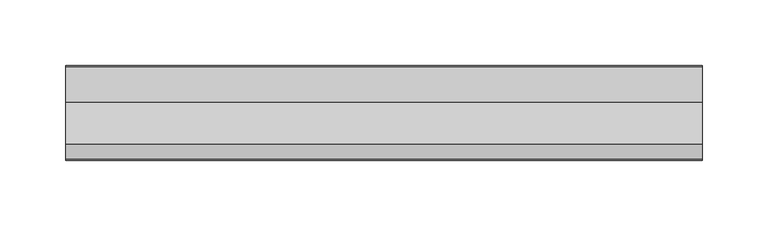
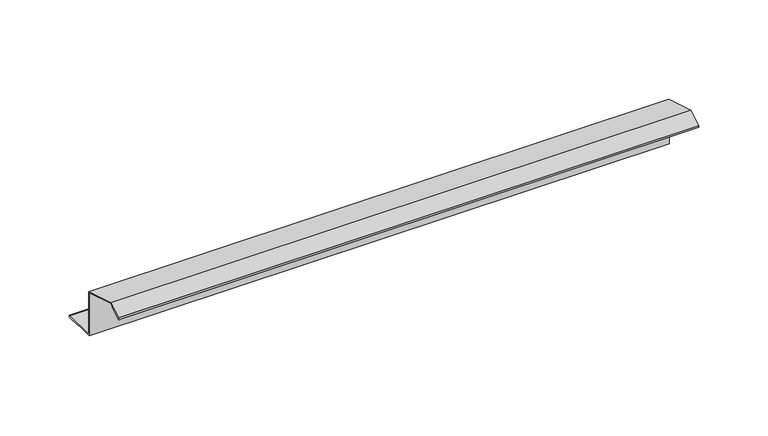
"""IFC4 building model written with IfcOpenShell, lengths in millimetres: proxy geometry."""

from ifc_helpers import new_model, si_unit, point, frame, frame_2d, origin, place, context, project, spatial, polyline, circle_curve, trimmed, segment, composite_curve, outline, extrude, source, transform, mapped, element, save


def generic_models_9cda1cce(model_context):
    return source(origin(), model_context, "Body", "SweptSolid", [
        extrude(outline(composite_curve([segment(trimmed(circle_curve(frame_2d((71.4596734, -0.075)), 0.875), [point((71.4596734, 0.8))], [point((71.4596734, -0.95))], False, "CARTESIAN"), True, "CONTINUOUS"), segment(polyline([(71.4596734, -0.95), (61.4596734, -0.95), (61.4596734, -0.15), (71.0497177, 0.0), (43.1596734, 0.0), (43.1596734, 38.0774854), (11.9851798, 47.531316), (0.9154826, 40.9687782), (9.5757366, 45.9687782), (9.9757366, 45.2759579), (1.312485, 40.2742272)]), True, "CONTINUOUS"), segment(trimmed(circle_curve(frame_2d((0.87499, 41.0319908)), 0.87499), [point((1.312485, 40.2742272))], [point((0.437495, 41.7897544))], False, "CARTESIAN"), True, "CONTINUOUS"), segment(polyline([(0.437495, 41.7897544), (11.8835216, 48.3981209), (43.9596734, 38.6708577), (43.9596734, 0.8), (71.4596734, 0.8)]), True, "CONTINUOUS")], self_intersect=False)), frame((0.0, 0.0, 0.0), z_axis=(1.0, 0.0, 0.0), x_axis=(0.0, 1.0, 0.0)), (0.0, 0.0, 1.0), 485.1477558),
    ])


if __name__ == "__main__":
    model = new_model("IFC4")
    model_context = context("Model", 3, world=origin())
    ifc_project = project(units=[si_unit("LENGTHUNIT", "METRE", prefix="MILLI")], contexts=[model_context])
    site = spatial("IfcSite", under=ifc_project)
    building = spatial("IfcBuilding", under=site)
    placement = place(None, origin())
    generic_models_shape = generic_models_9cda1cce(model_context)
    element("IfcBuildingElementProxy", 1, Name="Generic Models", at=placement, inside=building, context=model_context, shape_type="MappedRepresentation", body=[
        mapped(generic_models_shape, transform((0.0, 0.0, 0.0), x_axis=(1.0, 0.0, 0.0), y_axis=(0.0, 1.0, 0.0), z_axis=(0.0, 0.0, 1.0))),
    ])
    save(model, "model.ifc")
